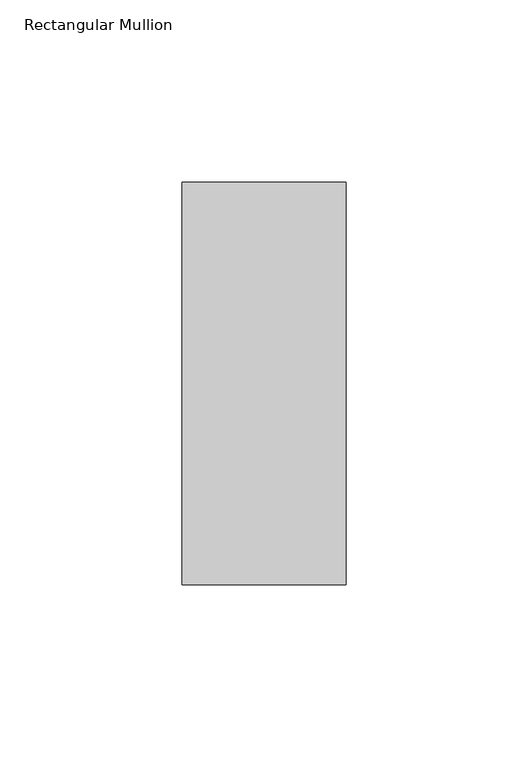
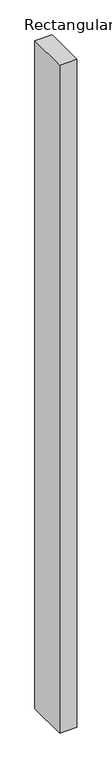
"""IFC4 building model written with IfcOpenShell, lengths in millimetres: member geometry, Rectangular Mullion."""

from ifc_helpers import new_model, si_unit, frame, origin, place, context, project, spatial, polyline, outline, extrude, source, transform, mapped, element, save


def rectangular_mullion_263eb381(model_context):
    return source(origin(), model_context, "Body", "SweptSolid", [
        extrude(outline(polyline([(22.5, -70.7), (-22.5, -70.7), (-22.5, 39.7), (22.5, 39.7), (22.5, -70.7)])), frame((0.0, 0.0, -1828.8), z_axis=(0.0, 0.0, 1.0), x_axis=(1.0, 0.0, 0.0)), (0.0, 0.0, 1.0), 1828.8),
    ])


if __name__ == "__main__":
    model = new_model("IFC4")
    model_context = context("Model", 3, world=origin())
    ifc_project = project(units=[si_unit("LENGTHUNIT", "METRE", prefix="MILLI")], contexts=[model_context])
    site = spatial("IfcSite", under=ifc_project)
    building = spatial("IfcBuilding", under=site)
    placement = place(None, origin())
    rectangular_mullion_shape = rectangular_mullion_263eb381(model_context)
    element("IfcMember", 1, ObjectType="Rectangular Mullion", at=placement, inside=building, context=model_context, shape_type="MappedRepresentation", body=[
        mapped(rectangular_mullion_shape, transform((0.0, 0.0, 0.0), x_axis=(1.0, 0.0, 0.0), y_axis=(0.0, 1.0, 0.0), z_axis=(0.0, 0.0, 1.0))),
    ])
    save(model, "model.ifc")
